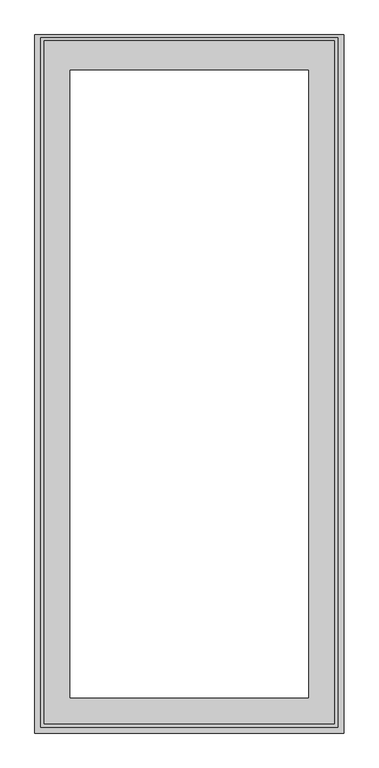
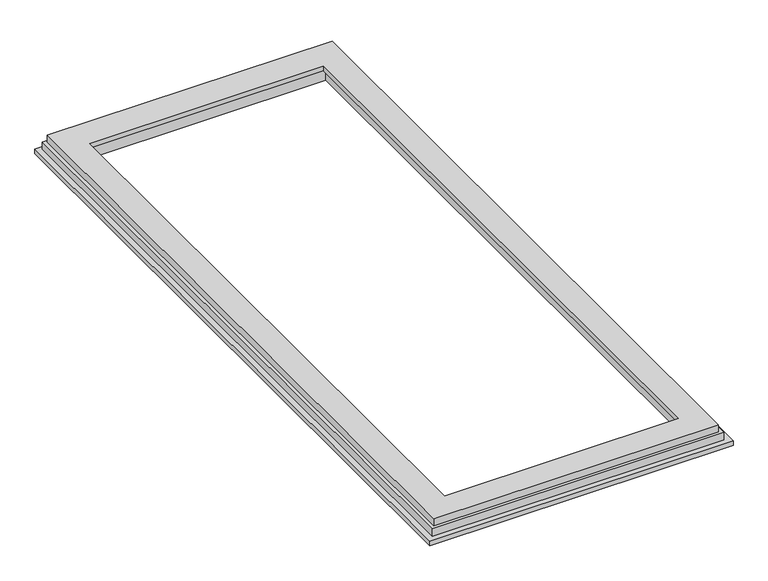
"""IFC4 building model written with IfcOpenShell, lengths in millimetres: proxy geometry."""

import ifcopenshell
import ifcopenshell.guid

model = None  # the IFC model being written
_history = None  # IfcOwnerHistory: only IFC2X3 demands one
_inside = {}  # id of a spatial element -> (the spatial element, [elements in it])
_under = {}  # id of a project, library or spatial element -> (it, [spatial elements below it])
_declared = {}  # id of a project -> (the project, [libraries it declares])
_typed = {}  # id of a type object -> (the type object, [elements of that type])
_made_of = {}  # id of a material, layer set ... -> (it, [elements and type objects made of it])


def new_model(schema):
    """Start an empty IFC model of exactly this schema.

    Asked for "IFC4X3", IfcOpenShell would pick the latest addendum, in which some entities
    have other attributes; the version numbers below select the first issue.
    IFC2X3 requires an IfcOwnerHistory on every rooted entity: one is made here for all.
    """
    global model, _history
    if schema == "IFC4X3":
        model = ifcopenshell.file(schema_version=(4, 3, 0, 0))
    else:
        model = ifcopenshell.file(schema=schema)
    _inside.clear()
    _under.clear()
    _declared.clear()
    _typed.clear()
    _made_of.clear()
    _history = None
    if model.schema == "IFC2X3":
        org = make("IfcOrganization", Name="unknown")
        user = make(
            "IfcPersonAndOrganization",
            ThePerson=make("IfcPerson", FamilyName="unknown"),
            TheOrganization=org,
        )
        app = make(
            "IfcApplication",
            ApplicationDeveloper=org,
            Version="unknown",
            ApplicationFullName="unknown",
            ApplicationIdentifier="unknown",
        )
        _history = make(
            "IfcOwnerHistory",
            OwningUser=user,
            OwningApplication=app,
            ChangeAction="ADDED",
            CreationDate=0,
        )
    return model


def make(cls, **values):
    """One entity of the class cls with the attributes given. An attribute that is None is left unset."""
    return model.create_entity(
        cls, **{name: value for name, value in values.items() if value is not None}
    )


def rooted(cls, **values):
    """An entity with a GlobalId (a new one), such as an element, a storey or a relation."""
    return make(cls, GlobalId=ifcopenshell.guid.new(), OwnerHistory=_history, **values)


def si_unit(unit_type, name, prefix=None):
    """IfcSIUnit, for example si_unit("LENGTHUNIT", "METRE", prefix="MILLI")."""
    return make("IfcSIUnit", UnitType=unit_type, Prefix=prefix, Name=name)


def assignment(units):
    """IfcUnitAssignment: the units of a project."""
    return None if units is None else make("IfcUnitAssignment", Units=units)


def point(xyz):
    """IfcCartesianPoint."""
    return None if xyz is None else make("IfcCartesianPoint", Coordinates=xyz)


def direction(xyz):
    """IfcDirection."""
    return None if xyz is None else make("IfcDirection", DirectionRatios=xyz)


def frame(location, z_axis=None, x_axis=None):
    """IfcAxis2Placement3D, a coordinate frame: its origin and axes. An axis left out is left unset."""
    return make(
        "IfcAxis2Placement3D",
        Location=point(location),
        Axis=direction(z_axis),
        RefDirection=direction(x_axis),
    )


def origin():
    """The frame at (0, 0, 0) with its axes left unset."""
    return frame((0.0, 0.0, 0.0))


def place(relative_to, where):
    """IfcLocalPlacement: puts the frame where relative to a parent placement (None: the world)."""
    return make(
        "IfcLocalPlacement", PlacementRelTo=relative_to, RelativePlacement=where
    )


def context(
    kind, dimensions, precision=None, world=None, true_north=None, identifier=None
):
    """IfcGeometricRepresentationContext, for example the 3D "Model" context."""
    return make(
        "IfcGeometricRepresentationContext",
        ContextIdentifier=identifier,
        ContextType=kind,
        CoordinateSpaceDimension=dimensions,
        Precision=precision,
        WorldCoordinateSystem=world,
        TrueNorth=true_north,
    )


def project(units=None, contexts=None):
    """IfcProject with its units and contexts."""
    return rooted(
        "IfcProject",
        Name="project",
        RepresentationContexts=contexts,
        UnitsInContext=assignment(units),
    )


def spatial(cls, under=None, at=None, **own):
    """A site, building, storey or space (cls), placed at a placement, below another one or the project."""
    s = rooted(cls, ObjectPlacement=at, **own)
    if under is not None:
        _under.setdefault(under.id(), (under, []))[1].append(s)
    return s


def faces_of(points, faces, orient=None, outer=None):
    """IfcFace entities. A face is a list of loops; a loop is a list of indices into points, from 0.

    orient and outer hold one flag for each loop. By default every Orientation is true, the
    first loop of a face is its IfcFaceOuterBound and the others are IfcFaceBound.
    """
    made = []
    for i, loops in enumerate(faces):
        bounds = []
        for j, loop in enumerate(loops):
            is_outer = j == 0 if outer is None else outer[i][j]
            bounds.append(
                make(
                    "IfcFaceOuterBound" if is_outer else "IfcFaceBound",
                    Bound=make("IfcPolyLoop", Polygon=[points[k] for k in loop]),
                    Orientation=True if orient is None else orient[i][j],
                )
            )
        made.append(make("IfcFace", Bounds=bounds))
    return made


def faceted_brep(points, faces, orient=None, outer=None, voids=None):
    """IfcFacetedBrep: a solid bounded by flat faces; with voids (closed shells), ...WithVoids."""
    shared = [point(p) for p in points]
    hull = make("IfcClosedShell", CfsFaces=faces_of(shared, faces, orient, outer))
    if voids is None:
        return make("IfcFacetedBrep", Outer=hull)
    return make(
        "IfcFacetedBrepWithVoids",
        Outer=hull,
        Voids=[
            make(cls, CfsFaces=faces_of(shared, fs, o, b)) for cls, fs, o, b in voids
        ],
    )


def shape(context_of_items, identifier, shape_type, items):
    """IfcShapeRepresentation: the items that make up one representation, for example the "Body"."""
    return make(
        "IfcShapeRepresentation",
        ContextOfItems=context_of_items,
        RepresentationIdentifier=identifier,
        RepresentationType=shape_type,
        Items=items,
    )


def source(mapping_origin, context_of_items, identifier, shape_type, items):
    """IfcRepresentationMap: a shape defined once, which mapped items show again and again."""
    return make(
        "IfcRepresentationMap",
        MappingOrigin=mapping_origin,
        MappedRepresentation=shape(context_of_items, identifier, shape_type, items),
    )


def transform(
    local_origin,
    x_axis=None,
    y_axis=None,
    z_axis=None,
    scale=None,
    scale2=None,
    scale3=None,
    uniform=True,
):
    """IfcCartesianTransformationOperator3D, or its non-uniform kind. x_axis, y_axis, z_axis: its Axis1, 2, 3."""
    if uniform:
        return make(
            "IfcCartesianTransformationOperator3D",
            Axis1=direction(x_axis),
            Axis2=direction(y_axis),
            LocalOrigin=point(local_origin),
            Scale=scale,
            Axis3=direction(z_axis),
        )
    return make(
        "IfcCartesianTransformationOperator3DnonUniform",
        Axis1=direction(x_axis),
        Axis2=direction(y_axis),
        LocalOrigin=point(local_origin),
        Scale=scale,
        Axis3=direction(z_axis),
        Scale2=scale2,
        Scale3=scale3,
    )


def mapped(mapping_source, mapping_target):
    """IfcMappedItem: shows the shape of a source again, moved by a transform."""
    return make(
        "IfcMappedItem", MappingSource=mapping_source, MappingTarget=mapping_target
    )


def made_of(thing, what):
    """Note that an element or type object is made of a material, layer set ...; save() writes the relation."""
    if what is not None:
        _made_of.setdefault(what.id(), (what, []))[1].append(thing)
    return thing


def element(
    cls,
    number,
    at=None,
    inside=None,
    cuts=None,
    type_object=None,
    material=None,
    context=None,
    identifier="Body",
    shape_type=None,
    held_by="IfcProductDefinitionShape",
    body=None,
    shapes=None,
    **own,
):
    """One element of the class cls, such as IfcWall. Its Tag is "e" and its number.

    at: its placement. inside: the storey or other place that contains it. cuts: it is an
    opening in that element (IfcRelVoidsElement). A single representation is given by context,
    identifier, shape_type and body (its items); several are given by shapes. held_by: the class
    of the entity that holds the representations. save() writes the other relations.
    """
    e = rooted(cls, Tag="e%d" % number, ObjectPlacement=at, **own)
    if body is not None:
        shapes = [shape(context, identifier, shape_type, body)]
    if shapes is not None:
        e.Representation = make(held_by, Representations=shapes)
    if inside is not None:
        _inside.setdefault(inside.id(), (inside, []))[1].append(e)
    if cuts is not None:
        rooted(
            "IfcRelVoidsElement", RelatingBuildingElement=cuts, RelatedOpeningElement=e
        )
    if type_object is not None:
        _typed.setdefault(type_object.id(), (type_object, []))[1].append(e)
    return made_of(e, material)


def aggregate(whole, parts):
    """IfcRelAggregates: a whole, such as a stair, and the parts it consists of."""
    return rooted("IfcRelAggregates", RelatingObject=whole, RelatedObjects=parts)


def save(model, path):
    """Write the relations noted so far, then the file.

    IfcRelAggregates (storeys below a building ...), IfcRelContainedInSpatialStructure (elements
    in a storey), IfcRelDefinesByType, IfcRelAssociatesMaterial and IfcRelDeclares: one each for
    every whole, place, type object, material and project.
    """
    for whole, parts in _under.values():
        aggregate(whole, parts)
    for where, things in _inside.values():
        rooted(
            "IfcRelContainedInSpatialStructure",
            RelatedElements=things,
            RelatingStructure=where,
        )
    for kind, things in _typed.values():
        rooted("IfcRelDefinesByType", RelatedObjects=things, RelatingType=kind)
    for what, things in _made_of.values():
        rooted("IfcRelAssociatesMaterial", RelatedObjects=things, RelatingMaterial=what)
    for by, libraries in _declared.values():
        rooted("IfcRelDeclares", RelatingContext=by, RelatedDefinitions=libraries)
    model.write(path)


def generic_models_d58d1478(model_context):
    return source(origin(), model_context, "Body", "Brep", [
        faceted_brep([(40.0, -2362.9, -68.0), (40.0, -2362.9, -84.5), (1086.0, -2362.9, -84.5), (1086.0, -2362.9, -68.0), (1086.0, -3.0, -84.5), (40.0, -3.0, -84.5), (142.0, -105.0, -84.5), (142.0, -2260.9, -84.5), (984.0, -2260.9, -84.5), (984.0, -105.0, -84.5), (984.0, -2260.9, -32.5), (984.0, -105.0, -32.5), (142.0, -2260.9, -32.5), (142.0, -105.0, -32.5), (160.0, -123.0, -32.5), (160.0, -2242.9, -32.5), (966.0, -2242.9, -32.5), (966.0, -123.0, -32.5), (966.0, -2242.9, -16.5), (966.0, -123.0, -16.5), (1054.0, -2330.9, -16.5), (1054.0, -22.0, -16.5), (72.0, -22.0, -16.5), (72.0, -2330.9, -16.5), (160.0, -2242.9, -16.5), (160.0, -123.0, -16.5), (1086.0, -3.0, -68.0), (40.0, -3.0, -68.0), (1066.0, -13.0, -68.0), (1066.0, -2342.9, -68.0), (60.0, -2342.9, -68.0), (60.0, -13.0, -68.0), (1066.0, -13.0, -42.0), (1066.0, -2342.9, -42.0), (1054.0, -2330.9, -42.0), (1054.0, -22.0, -42.0), (60.0, -13.0, -42.0), (60.0, -2342.9, -42.0), (72.0, -2330.9, -42.0), (72.0, -22.0, -42.0)], [[[0, 1, 2, 3]], [[4, 2, 1, 5], [6, 7, 8, 9]], [[9, 8, 10, 11]], [[11, 10, 12, 13], [14, 15, 16, 17]], [[17, 16, 18, 19]], [[20, 21, 22, 23], [19, 18, 24, 25]], [[2, 4, 26, 3]], [[4, 5, 27, 26]], [[3, 26, 27, 0], [28, 29, 30, 31]], [[28, 32, 33, 29]], [[21, 20, 34, 35]], [[32, 36, 37, 33], [34, 38, 39, 35]], [[9, 11, 13, 6]], [[17, 19, 25, 14]], [[13, 12, 7, 6]], [[25, 24, 15, 14]], [[5, 1, 0, 27]], [[30, 37, 36, 31]], [[38, 23, 22, 39]], [[7, 12, 10, 8]], [[18, 16, 15, 24]], [[29, 33, 37, 30]], [[20, 23, 38, 34]], [[31, 36, 32, 28]], [[39, 22, 21, 35]]]),
    ])


if __name__ == "__main__":
    model = new_model("IFC4")
    model_context = context("Model", 3, world=origin())
    ifc_project = project(units=[si_unit("LENGTHUNIT", "METRE", prefix="MILLI")], contexts=[model_context])
    site = spatial("IfcSite", under=ifc_project)
    building = spatial("IfcBuilding", under=site)
    placement = place(None, origin())
    generic_models_shape = generic_models_d58d1478(model_context)
    element("IfcBuildingElementProxy", 1, Name="Generic Models", at=placement, inside=building, context=model_context, shape_type="MappedRepresentation", body=[
        mapped(generic_models_shape, transform((0.0, 0.0, 0.0), x_axis=(1.0, 0.0, 0.0), y_axis=(0.0, 1.0, 0.0), z_axis=(0.0, 0.0, 1.0))),
    ])
    save(model, "model.ifc")
